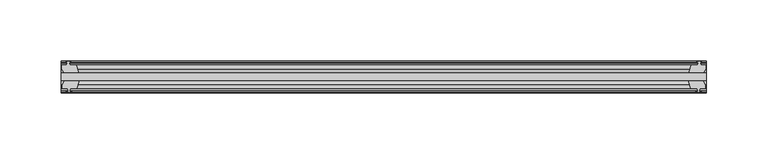
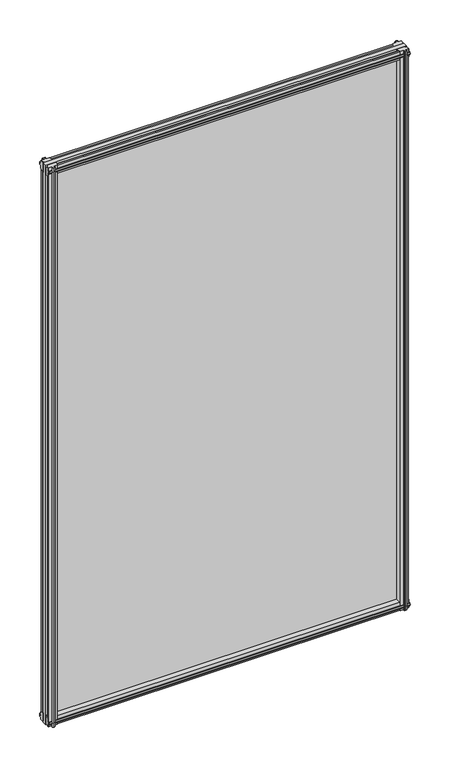
"""IFC4 building model written with IfcOpenShell, lengths in millimetres: plate geometry."""

from ifc_helpers import new_model, si_unit, frame, origin, place, context, project, spatial, polyline, outline, extrude, source, transform, mapped, element, save


def plate_8ff5a282(model_context):
    return source(origin(), model_context, "Body", "SweptSolid", [
        extrude(outline(polyline([(-263.525, -19.5460937), (263.525, -19.5460937), (263.525, -25.8960937), (-263.525, -25.8960937), (-263.525, -19.5460937)])), frame((0.0, 0.0, -12.7), z_axis=(0.0, 0.0, 1.0), x_axis=(1.0, 0.0, 0.0)), (0.0, 0.0, 1.0), 863.6),
        extrude(outline(polyline([(260.5503038, -25.8960937), (262.763, -29.2996938), (262.763, -32.2460938), (258.318, -32.2460938), (257.937, -34.6262907), (259.3525291, -34.1663575), (259.3525291, -34.9675717), (257.175, -35.6750938), (254.9974709, -34.9675717), (254.9974709, -34.1663575), (256.413, -34.6262907), (256.032, -32.2460938), (250.825, -32.2460938), (248.7197229, -25.8960937), (260.5503038, -25.8960937)])), frame((0.0, 0.0, -12.7), z_axis=(0.0, 0.0, 1.0), x_axis=(1.0, 0.0, 0.0)), (0.0, 0.0, 1.0), 863.6),
        extrude(outline(polyline([(255.5181709, -10.4746158), (257.6957, -9.7670938), (259.873229, -10.4746158), (259.873229, -11.27583), (258.4577, -10.8158968), (258.8387, -13.1960938), (263.2837, -13.1960938), (263.2837, -16.1424938), (261.0710038, -19.5460937), (249.2404229, -19.5460937), (251.3457, -13.1960938), (256.5527, -13.1960938), (256.9337, -10.8158968), (255.5181709, -11.27583), (255.5181709, -10.4746158)])), frame((0.0, 0.0, -12.7), z_axis=(0.0, 0.0, 1.0), x_axis=(1.0, 0.0, 0.0)), (0.0, 0.0, 1.0), 863.6),
        extrude(outline(polyline([(-248.7197229, -25.8960937), (-250.825, -32.2460937), (-256.032, -32.2460937), (-256.413, -34.6262907), (-254.9974709, -34.1663575), (-254.9974709, -34.9675717), (-257.175, -35.6750937), (-259.3525291, -34.9675717), (-259.3525291, -34.1663575), (-257.937, -34.6262907), (-258.318, -32.2460937), (-262.763, -32.2460937), (-262.763, -29.2996937), (-260.5503038, -25.8960937), (-248.7197229, -25.8960937)])), frame((0.0, 0.0, -12.7), z_axis=(0.0, 0.0, 1.0), x_axis=(1.0, 0.0, 0.0)), (0.0, 0.0, 1.0), 863.6),
        extrude(outline(polyline([(-258.4577, -10.8158968), (-259.873229, -11.27583), (-259.873229, -10.4746158), (-257.6957, -9.7670937), (-255.5181709, -10.4746158), (-255.5181709, -11.27583), (-256.9337, -10.8158968), (-256.5527, -13.1960937), (-251.3457, -13.1960937), (-249.2404229, -19.5460937), (-261.0710038, -19.5460937), (-263.2837, -16.1424937), (-263.2837, -13.1960937), (-258.8387, -13.1960937), (-258.4577, -10.8158968)])), frame((0.0, 0.0, -12.7), z_axis=(0.0, 0.0, 1.0), x_axis=(1.0, 0.0, 0.0)), (0.0, 0.0, 1.0), 863.6),
        extrude(outline(polyline([(-13.1960937, 850.6587), (-13.1960937, 846.2137), (-10.8158968, 845.8327), (-11.27583, 847.248229), (-10.4746158, 847.248229), (-9.7670937, 845.0707), (-10.4746158, 842.8931709), (-11.27583, 842.8931709), (-10.8158968, 844.3087), (-13.1960937, 843.9277), (-13.1960937, 838.7207), (-19.5460937, 836.6154229), (-19.5460937, 848.4460038), (-16.1424937, 850.6587), (-13.1960937, 850.6587)])), frame((-263.525, 0.0, 0.0), z_axis=(1.0, 0.0, 0.0), x_axis=(0.0, 1.0, 0.0)), (0.0, 0.0, 1.0), 527.05),
        extrude(outline(polyline([(-29.2996937, 850.138), (-25.8960937, 847.9253038), (-25.8960937, 836.0947229), (-32.2460937, 838.2), (-32.2460937, 843.407), (-34.6262907, 843.788), (-34.1663575, 842.3724709), (-34.9675717, 842.3724709), (-35.6750937, 844.55), (-34.9675717, 846.7275291), (-34.1663575, 846.7275291), (-34.6262907, 845.312), (-32.2460937, 845.693), (-32.2460937, 850.138), (-29.2996937, 850.138)])), frame((-263.525, 0.0, 0.0), z_axis=(1.0, 0.0, 0.0), x_axis=(0.0, 1.0, 0.0)), (0.0, 0.0, 1.0), 527.05),
        extrude(outline(polyline([(-25.8960937, 2.1052771), (-25.8960937, -9.7253038), (-29.2996937, -11.938), (-32.2460937, -11.938), (-32.2460937, -7.493), (-34.6262907, -7.112), (-34.1663575, -8.5275291), (-34.9675717, -8.5275291), (-35.6750937, -6.35), (-34.9675717, -4.1724709), (-34.1663575, -4.1724709), (-34.6262907, -5.588), (-32.2460937, -5.207), (-32.2460937, 0.0), (-25.8960937, 2.1052771)])), frame((-263.525, 0.0, 0.0), z_axis=(1.0, 0.0, 0.0), x_axis=(0.0, 1.0, 0.0)), (0.0, 0.0, 1.0), 527.05),
        extrude(outline(polyline([(-19.5460937, 1.5845771), (-13.1960937, -0.5207), (-13.1960937, -5.7277), (-10.8158968, -6.1087), (-11.27583, -4.6931709), (-10.4746158, -4.6931709), (-9.7670937, -6.8707), (-10.4746158, -9.048229), (-11.27583, -9.048229), (-10.8158968, -7.6327), (-13.1960937, -8.0137), (-13.1960937, -12.4587), (-16.1424937, -12.4587), (-19.5460937, -10.2460038), (-19.5460937, 1.5845771)])), frame((-263.525, 0.0, 0.0), z_axis=(1.0, 0.0, 0.0), x_axis=(0.0, 1.0, 0.0)), (0.0, 0.0, 1.0), 527.05),
    ])


if __name__ == "__main__":
    model = new_model("IFC4")
    model_context = context("Model", 3, world=origin())
    ifc_project = project(units=[si_unit("LENGTHUNIT", "METRE", prefix="MILLI")], contexts=[model_context])
    site = spatial("IfcSite", under=ifc_project)
    building = spatial("IfcBuilding", under=site)
    placement = place(None, origin())
    plate_shape = plate_8ff5a282(model_context)
    element("IfcPlate", 1, at=placement, inside=building, context=model_context, shape_type="MappedRepresentation", body=[
        mapped(plate_shape, transform((0.0, 0.0, 0.0), x_axis=(1.0, 0.0, 0.0), y_axis=(0.0, 1.0, 0.0), z_axis=(0.0, 0.0, 1.0))),
    ])
    save(model, "model.ifc")
